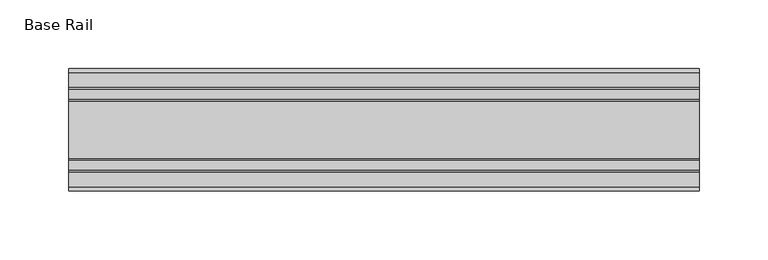
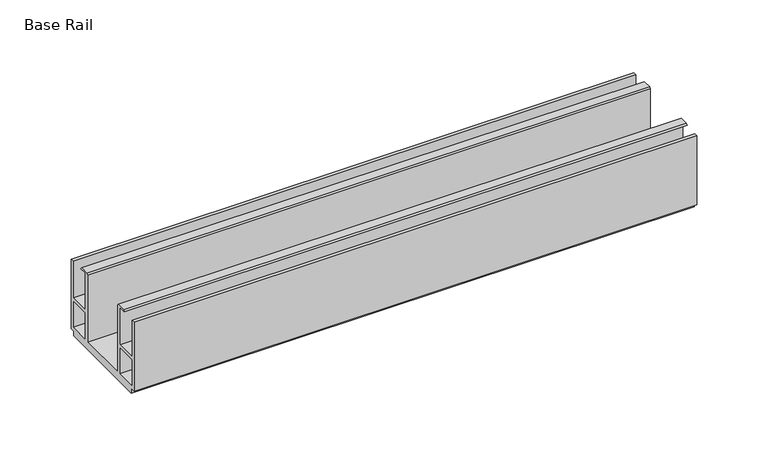
"""IFC4 building model written with IfcOpenShell, lengths in millimetres: furniture geometry, Base Rail."""

from ifc_helpers import new_model, si_unit, frame, origin, place, context, project, spatial, polyline, outline, extrude, source, transform, mapped, element, save


def base_rail_973d21ec(model_context):
    return source(origin(), model_context, "Body", "SweptSolid", [
        extrude(outline(polyline([(-28.948195, 4.0000001), (-28.948195, 63.5), (-26.1481963, 63.5), (-26.1481963, 32.0000002), (-9.1450707, 32.0000002), (-9.1450707, 29.4000001), (-26.1481963, 29.4000001), (-26.1481963, 6.6000002), (-8.7481957, 6.6000002), (-8.7481957, 63.9424102), (-15.1141535, 63.9424102), (-13.9690637, 65.0875), (-6.5932854, 65.0875), (-5.4481956, 63.9424102), (-5.4481956, 6.6000002), (36.4518057, 6.6000002), (36.4518057, 63.9424102), (37.5968955, 65.0875), (44.9726737, 65.0875), (46.1177636, 63.9424102), (39.7518058, 63.9424102), (39.7518058, 6.6000002), (57.1518064, 6.6000002), (57.1518064, 29.4000001), (40.1486808, 29.4000001), (40.1486808, 32.0000002), (57.1518064, 32.0000002), (57.1518064, 63.5), (59.951805, 63.5), (59.951805, 4.0000001), (55.9518063, 4.0000001), (55.9518063, 0.0), (-24.9481962, 0.0), (-24.9481962, 4.0000001), (-28.948195, 4.0000001)])), frame((-198.6228469, 0.0, 0.0), z_axis=(1.0, 0.0, 0.0), x_axis=(0.0, 1.0, 0.0)), (0.0, 0.0, 1.0), 457.2),
    ])


if __name__ == "__main__":
    model = new_model("IFC4")
    model_context = context("Model", 3, world=origin())
    ifc_project = project(units=[si_unit("LENGTHUNIT", "METRE", prefix="MILLI")], contexts=[model_context])
    site = spatial("IfcSite", under=ifc_project)
    building = spatial("IfcBuilding", under=site)
    placement = place(None, origin())
    base_rail_shape = base_rail_973d21ec(model_context)
    element("IfcFurniture", 1, ObjectType="Base Rail", at=placement, inside=building, context=model_context, shape_type="MappedRepresentation", body=[
        mapped(base_rail_shape, transform((0.0, 0.0, 0.0), x_axis=(1.0, 0.0, 0.0), y_axis=(0.0, 1.0, 0.0), z_axis=(0.0, 0.0, 1.0))),
    ])
    save(model, "model.ifc")
